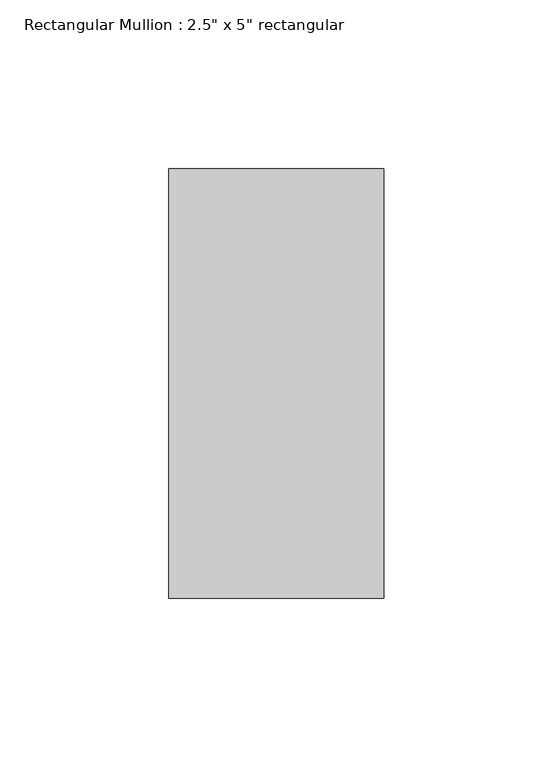
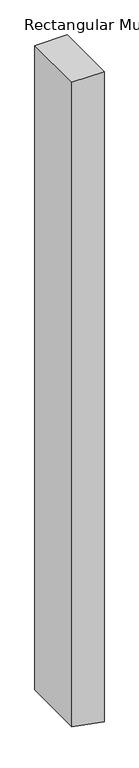
"""IFC4 building model written with IfcOpenShell, lengths in millimetres: member geometry."""

from ifc_helpers import new_model, si_unit, frame, origin, place, context, project, spatial, polyline, outline, extrude, source, transform, mapped, element, save


def member_85dfbf12(model_context):
    return source(origin(), model_context, "Body", "SweptSolid", [
        extrude(outline(polyline([(0.0, 31.75), (0.0, -31.75), (-1348.466817, -31.75), (-1357.1529133, 12.2880417), (-1360.9916045, 31.75), (0.0, 31.75)])), frame((0.0, -63.5, 0.0), z_axis=(0.0, 1.0, 0.0), x_axis=(0.0, 0.0, 1.0)), (0.0, 0.0, 1.0), 127.0),
    ])


if __name__ == "__main__":
    model = new_model("IFC4")
    model_context = context("Model", 3, world=origin())
    ifc_project = project(units=[si_unit("LENGTHUNIT", "METRE", prefix="MILLI")], contexts=[model_context])
    site = spatial("IfcSite", under=ifc_project)
    building = spatial("IfcBuilding", under=site)
    placement = place(None, origin())
    member_shape = member_85dfbf12(model_context)
    element("IfcMember", 1, ObjectType="Rectangular Mullion : 2.5\" x 5\" rectangular", at=placement, inside=building, context=model_context, shape_type="MappedRepresentation", body=[
        mapped(member_shape, transform((0.0, 0.0, 0.0), x_axis=(1.0, 0.0, 0.0), y_axis=(0.0, 1.0, 0.0), z_axis=(0.0, 0.0, 1.0))),
    ])
    save(model, "model.ifc")
